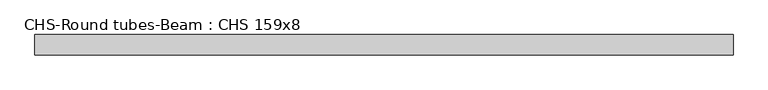
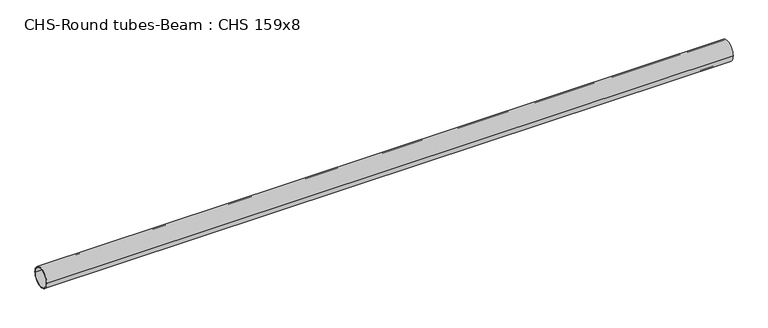
"""IFC4 building model written with IfcOpenShell, lengths in millimetres: beam geometry, CHS-Round tubes-Beam : CHS 159x8."""

from ifc_helpers import new_model, si_unit, point, frame, origin, origin_2d, place, context, project, spatial, circle_curve, trimmed, segment, composite_curve, outline, extrude, source, transform, mapped, element, save


def chs_round_tubes_beam_chs_159x8_98443c25(model_context):
    return source(origin(), model_context, "Body", "SweptSolid", [
        extrude(outline(composite_curve([segment(trimmed(circle_curve(origin_2d(), 79.5), [point((79.5, 0.0))], [point((-79.5, 0.0))], False, "CARTESIAN"), True, "CONTINUOUS"), segment(trimmed(circle_curve(origin_2d(), 79.5), [point((-79.5, 0.0))], [point((79.5, 0.0))], False, "CARTESIAN"), True, "CONTINUOUS")], self_intersect=False), holes=[composite_curve([segment(trimmed(circle_curve(origin_2d(), 71.5), [point((71.5, 0.0))], [point((-71.5, 0.0))], True, "CARTESIAN"), True, "CONTINUOUS"), segment(trimmed(circle_curve(origin_2d(), 71.5), [point((-71.5, 0.0))], [point((71.5, 0.0))], True, "CARTESIAN"), True, "CONTINUOUS")], self_intersect=False)]), frame((-2462.6411717, 0.0, 0.0), z_axis=(1.0, 0.0, 0.0), x_axis=(0.0, 1.0, 0.0)), (0.0, 0.0, 1.0), 5406.6867463),
    ])


if __name__ == "__main__":
    model = new_model("IFC4")
    model_context = context("Model", 3, world=origin())
    ifc_project = project(units=[si_unit("LENGTHUNIT", "METRE", prefix="MILLI")], contexts=[model_context])
    site = spatial("IfcSite", under=ifc_project)
    building = spatial("IfcBuilding", under=site)
    placement = place(None, origin())
    chs_round_tubes_beam_chs_159x8_shape = chs_round_tubes_beam_chs_159x8_98443c25(model_context)
    element("IfcBeam", 1, ObjectType="CHS-Round tubes-Beam : CHS 159x8", at=placement, inside=building, context=model_context, shape_type="MappedRepresentation", body=[
        mapped(chs_round_tubes_beam_chs_159x8_shape, transform((0.0, 0.0, 0.0), x_axis=(1.0, 0.0, 0.0), y_axis=(0.0, 1.0, 0.0), z_axis=(0.0, 0.0, 1.0))),
    ])
    save(model, "model.ifc")
